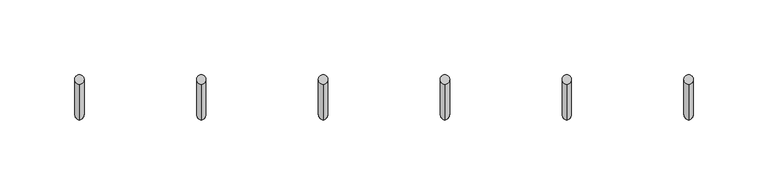
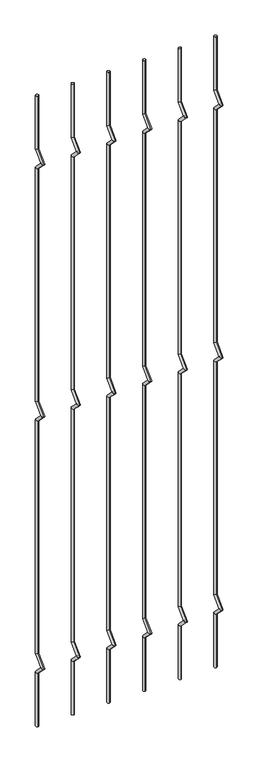
"""IFC4 building model written with IfcOpenShell, lengths in millimetres: railing geometry."""

from ifc_helpers import new_model, si_unit, frame, origin, place, context, project, spatial, circle_curve, ellipse_curve, source, transform, mapped, element, save
from ifc_brep_helpers import plane_surface, cylinder_surface, advanced_brep


def railing_6cbbe6ae(model_context):
    return source(origin(), model_context, "Body", "AdvancedBrep", [
        advanced_brep(
        [(-18957.3941573, 13589.3554142, 25.4), (-18957.3941573, 13583.0054142, 25.4), (-18957.3941573, 13583.0054142, 154.0342316), (-18957.3941573, 13589.3554142, 156.6644878), (-18957.3941573, 13559.2396458, 177.8), (-18957.3941573, 13568.219902, 177.8), (-18957.3941573, 13583.0054142, 201.5657684), (-18957.3941573, 13589.3554142, 198.9355122), (-18957.3941573, 13583.0054142, 763.6342316), (-18957.3941573, 13589.3554142, 766.2644878), (-18957.3941573, 13559.2396458, 787.4), (-18957.3941573, 13568.219902, 787.4), (-18957.3941573, 13583.0054142, 811.1657684), (-18957.3941573, 13589.3554142, 808.5355122), (-18957.3941573, 13583.0054142, 1373.2342316), (-18957.3941573, 13589.3554142, 1375.8644878), (-18957.3941573, 13559.2396458, 1397.0), (-18957.3941573, 13568.219902, 1397.0), (-18957.3941573, 13583.0054142, 1420.7657684), (-18957.3941573, 13589.3554142, 1418.1355122), (-18957.3941573, 13589.3554142, 1549.4), (-18957.3941573, 13583.0054142, 1549.4)],
        [
            (0, 1, circle_curve(frame((-18957.3941573, 13586.1804142, 25.4), z_axis=(0.0, 0.0, -1.0), x_axis=(0.0, -1.0, 0.0)), 3.175)),
            (1, 0, circle_curve(frame((-18957.3941573, 13586.1804142, 25.4), z_axis=(0.0, 0.0, -1.0), x_axis=(0.0, -1.0, 0.0)), 3.175)),
            (1, 2),
            (2, 3, ellipse_curve(frame((-18957.3941573, 13586.1804142, 155.3493597), z_axis=(0.0, 0.3826834323650955, -0.9238795325112844), x_axis=(0.0, -0.9238795325112845, -0.38268343236509544)), 3.4365952, 3.175)),
            (3, 0),
            (3, 2, ellipse_curve(frame((-18957.3941573, 13586.1804142, 155.3493597), z_axis=(0.0, 0.3826834323650955, -0.9238795325112844), x_axis=(0.0, -0.9238795325112845, -0.38268343236509544)), 3.4365952, 3.175)),
            (2, 4),
            (4, 5, ellipse_curve(frame((-18957.3941573, 13563.7297739, 177.8), z_axis=(0.0, 0.0, -1.0), x_axis=(0.0, 1.0, 0.0)), 4.4901281, 3.175)),
            (5, 3),
            (5, 4, ellipse_curve(frame((-18957.3941573, 13563.7297739, 177.8), z_axis=(0.0, 0.0, -1.0), x_axis=(0.0, 1.0, 0.0)), 4.4901281, 3.175)),
            (4, 6),
            (6, 7, ellipse_curve(frame((-18957.3941573, 13586.1804142, 200.2506403), z_axis=(0.0, -0.3826834323650839, -0.9238795325112892), x_axis=(0.0, -0.9238795325112893, 0.38268343236508373)), 3.4365952, 3.175)),
            (7, 5),
            (7, 6, ellipse_curve(frame((-18957.3941573, 13586.1804142, 200.2506403), z_axis=(0.0, -0.3826834323650839, -0.9238795325112892), x_axis=(0.0, -0.9238795325112893, 0.38268343236508373)), 3.4365952, 3.175)),
            (6, 8),
            (8, 9, ellipse_curve(frame((-18957.3941573, 13586.1804142, 764.9493597), z_axis=(0.0, 0.3826834323651107, -0.9238795325112781), x_axis=(0.0, -0.9238795325112781, -0.3826834323651108)), 3.4365952, 3.175)),
            (9, 7),
            (9, 8, ellipse_curve(frame((-18957.3941573, 13586.1804142, 764.9493597), z_axis=(0.0, 0.3826834323651107, -0.9238795325112781), x_axis=(0.0, -0.9238795325112781, -0.3826834323651108)), 3.4365952, 3.175)),
            (8, 10),
            (10, 11, ellipse_curve(frame((-18957.3941573, 13563.7297739, 787.4), z_axis=(0.0, 0.0, -1.0), x_axis=(0.0, 1.0, 0.0)), 4.4901281, 3.175)),
            (11, 9),
            (11, 10, ellipse_curve(frame((-18957.3941573, 13563.7297739, 787.4), z_axis=(0.0, 0.0, -1.0), x_axis=(0.0, 1.0, 0.0)), 4.4901281, 3.175)),
            (10, 12),
            (12, 13, ellipse_curve(frame((-18957.3941573, 13586.1804142, 809.8506403), z_axis=(0.0, -0.3826834323650702, -0.9238795325112948), x_axis=(0.0, -0.9238795325112948, 0.38268343236507046)), 3.4365952, 3.175)),
            (13, 11),
            (13, 12, ellipse_curve(frame((-18957.3941573, 13586.1804142, 809.8506403), z_axis=(0.0, -0.3826834323650702, -0.9238795325112948), x_axis=(0.0, -0.9238795325112948, 0.38268343236507046)), 3.4365952, 3.175)),
            (12, 14),
            (14, 15, ellipse_curve(frame((-18957.3941573, 13586.1804142, 1374.5493597), z_axis=(0.0, 0.3826834323650811, -0.9238795325112903), x_axis=(0.0, -0.9238795325112901, -0.3826834323650815)), 3.4365952, 3.175)),
            (15, 13),
            (15, 14, ellipse_curve(frame((-18957.3941573, 13586.1804142, 1374.5493597), z_axis=(0.0, 0.3826834323650811, -0.9238795325112903), x_axis=(0.0, -0.9238795325112901, -0.3826834323650815)), 3.4365952, 3.175)),
            (14, 16),
            (16, 17, ellipse_curve(frame((-18957.3941573, 13563.7297739, 1397.0), z_axis=(0.0, 0.0, -1.0), x_axis=(0.0, 1.0, 0.0)), 4.4901281, 3.175)),
            (17, 15),
            (17, 16, ellipse_curve(frame((-18957.3941573, 13563.7297739, 1397.0), z_axis=(0.0, 0.0, -1.0), x_axis=(0.0, 1.0, 0.0)), 4.4901281, 3.175)),
            (16, 18),
            (18, 19, ellipse_curve(frame((-18957.3941573, 13586.1804142, 1419.4506403), z_axis=(0.0, -0.38268343236509844, -0.9238795325112833), x_axis=(0.0, -0.9238795325112827, 0.38268343236509916)), 3.4365952, 3.175)),
            (19, 17),
            (19, 18, ellipse_curve(frame((-18957.3941573, 13586.1804142, 1419.4506403), z_axis=(0.0, -0.38268343236509844, -0.9238795325112833), x_axis=(0.0, -0.9238795325112827, 0.38268343236509916)), 3.4365952, 3.175)),
            (20, 21, circle_curve(frame((-18957.3941573, 13586.1804142, 1549.4), z_axis=(0.0, 0.0, 1.0), x_axis=(0.0, -1.0, 0.0)), 3.175)),
            (21, 20, circle_curve(frame((-18957.3941573, 13586.1804142, 1549.4), z_axis=(0.0, 0.0, 1.0), x_axis=(0.0, -1.0, 0.0)), 3.175)),
            (18, 21),
            (20, 19),
        ],
        [
            plane_surface(frame((-18957.3941573, 13586.1804142, 25.4), z_axis=(0.0, 0.0, -1.0), x_axis=(-1.0, 0.0, 0.0))),
            cylinder_surface(frame((-18957.3941573, 13586.1804142, 25.4), z_axis=(0.0, 0.0, -1.0), x_axis=(0.0, -1.0, 0.0)), 3.175),
            cylinder_surface(frame((-18957.3941573, 13586.1804142, 155.3493597), z_axis=(0.0, 0.7071067811865563, -0.7071067811865388), x_axis=(0.0, -0.7071067811865388, -0.7071067811865563)), 3.175),
            cylinder_surface(frame((-18957.3941573, 13563.7297739, 177.8), z_axis=(0.0, -0.7071067811865385, -0.7071067811865568), x_axis=(0.0, -0.7071067811865568, 0.7071067811865385)), 3.175),
            cylinder_surface(frame((-18957.3941573, 13586.1804142, 200.2506403), z_axis=(0.0, 0.0, -1.0), x_axis=(0.0, -1.0, 0.0)), 3.175),
            cylinder_surface(frame((-18957.3941573, 13586.1804142, 764.9493597), z_axis=(0.0, 0.7071067811865798, -0.7071067811865153), x_axis=(0.0, -0.7071067811865153, -0.7071067811865798)), 3.175),
            cylinder_surface(frame((-18957.3941573, 13563.7297739, 787.4), z_axis=(0.0, -0.7071067811865173, -0.7071067811865779), x_axis=(0.0, -0.7071067811865779, 0.7071067811865173)), 3.175),
            cylinder_surface(frame((-18957.3941573, 13586.1804142, 809.8506403), z_axis=(0.0, 0.0, -1.0), x_axis=(0.0, -1.0, 0.0)), 3.175),
            cylinder_surface(frame((-18957.3941573, 13586.1804142, 1374.5493597), z_axis=(0.0, 0.7071067811865346, -0.7071067811865605), x_axis=(0.0, -0.7071067811865605, -0.7071067811865346)), 3.175),
            cylinder_surface(frame((-18957.3941573, 13563.7297739, 1397.0), z_axis=(0.0, -0.7071067811865608, -0.7071067811865344), x_axis=(0.0, -0.7071067811865344, 0.7071067811865608)), 3.175),
            plane_surface(frame((-18957.3941573, 13586.1804142, 1549.4), z_axis=(0.0, 0.0, 1.0), x_axis=(-1.0, 0.0, 0.0))),
            cylinder_surface(frame((-18957.3941573, 13586.1804142, 1419.4506403), z_axis=(0.0, 0.0, -1.0), x_axis=(0.0, -1.0, 0.0)), 3.175),
        ],
        [
            (0, [[1, 2]]),
            (1, [[3, 4, 5, -2]]),
            (1, [[-5, 6, -3, -1]]),
            (2, [[7, 8, 9, -4]]),
            (2, [[-9, 10, -7, -6]]),
            (3, [[11, 12, 13, -8]]),
            (3, [[-13, 14, -11, -10]]),
            (4, [[15, 16, 17, -12]]),
            (4, [[-17, 18, -15, -14]]),
            (5, [[19, 20, 21, -16]]),
            (5, [[-21, 22, -19, -18]]),
            (6, [[23, 24, 25, -20]]),
            (6, [[-25, 26, -23, -22]]),
            (7, [[27, 28, 29, -24]]),
            (7, [[-29, 30, -27, -26]]),
            (8, [[31, 32, 33, -28]]),
            (8, [[-33, 34, -31, -30]]),
            (9, [[35, 36, 37, -32]]),
            (9, [[-37, 38, -35, -34]]),
            (10, [[39, 40]]),
            (11, [[41, -39, 42, -36]]),
            (11, [[-42, -40, -41, -38]]),
        ],
    ),
        advanced_brep(
        [(-18875.8210804, 13589.3554142, 25.4), (-18875.8210804, 13583.0054142, 25.4), (-18875.8210804, 13583.0054142, 154.0342316), (-18875.8210804, 13589.3554142, 156.6644878), (-18875.8210804, 13559.2396458, 177.8), (-18875.8210804, 13568.219902, 177.8), (-18875.8210804, 13583.0054142, 201.5657684), (-18875.8210804, 13589.3554142, 198.9355122), (-18875.8210804, 13583.0054142, 763.6342316), (-18875.8210804, 13589.3554142, 766.2644878), (-18875.8210804, 13559.2396458, 787.4), (-18875.8210804, 13568.219902, 787.4), (-18875.8210804, 13583.0054142, 811.1657684), (-18875.8210804, 13589.3554142, 808.5355122), (-18875.8210804, 13583.0054142, 1373.2342316), (-18875.8210804, 13589.3554142, 1375.8644878), (-18875.8210804, 13559.2396458, 1397.0), (-18875.8210804, 13568.219902, 1397.0), (-18875.8210804, 13583.0054142, 1420.7657684), (-18875.8210804, 13589.3554142, 1418.1355122), (-18875.8210804, 13589.3554142, 1549.4), (-18875.8210804, 13583.0054142, 1549.4)],
        [
            (0, 1, circle_curve(frame((-18875.8210804, 13586.1804142, 25.4), z_axis=(0.0, 0.0, -1.0), x_axis=(0.0, -1.0, 0.0)), 3.175)),
            (1, 0, circle_curve(frame((-18875.8210804, 13586.1804142, 25.4), z_axis=(0.0, 0.0, -1.0), x_axis=(0.0, -1.0, 0.0)), 3.175)),
            (1, 2),
            (2, 3, ellipse_curve(frame((-18875.8210804, 13586.1804142, 155.3493597), z_axis=(0.0, 0.3826834323650955, -0.9238795325112844), x_axis=(0.0, -0.9238795325112845, -0.38268343236509544)), 3.4365952, 3.175)),
            (3, 0),
            (3, 2, ellipse_curve(frame((-18875.8210804, 13586.1804142, 155.3493597), z_axis=(0.0, 0.3826834323650955, -0.9238795325112844), x_axis=(0.0, -0.9238795325112845, -0.38268343236509544)), 3.4365952, 3.175)),
            (2, 4),
            (4, 5, ellipse_curve(frame((-18875.8210804, 13563.7297739, 177.8), z_axis=(0.0, 0.0, -1.0), x_axis=(0.0, 1.0, 0.0)), 4.4901281, 3.175)),
            (5, 3),
            (5, 4, ellipse_curve(frame((-18875.8210804, 13563.7297739, 177.8), z_axis=(0.0, 0.0, -1.0), x_axis=(0.0, 1.0, 0.0)), 4.4901281, 3.175)),
            (4, 6),
            (6, 7, ellipse_curve(frame((-18875.8210804, 13586.1804142, 200.2506403), z_axis=(0.0, -0.3826834323650839, -0.9238795325112892), x_axis=(0.0, -0.9238795325112893, 0.38268343236508373)), 3.4365952, 3.175)),
            (7, 5),
            (7, 6, ellipse_curve(frame((-18875.8210804, 13586.1804142, 200.2506403), z_axis=(0.0, -0.3826834323650839, -0.9238795325112892), x_axis=(0.0, -0.9238795325112893, 0.38268343236508373)), 3.4365952, 3.175)),
            (6, 8),
            (8, 9, ellipse_curve(frame((-18875.8210804, 13586.1804142, 764.9493597), z_axis=(0.0, 0.3826834323651107, -0.9238795325112781), x_axis=(0.0, -0.9238795325112781, -0.3826834323651108)), 3.4365952, 3.175)),
            (9, 7),
            (9, 8, ellipse_curve(frame((-18875.8210804, 13586.1804142, 764.9493597), z_axis=(0.0, 0.3826834323651107, -0.9238795325112781), x_axis=(0.0, -0.9238795325112781, -0.3826834323651108)), 3.4365952, 3.175)),
            (8, 10),
            (10, 11, ellipse_curve(frame((-18875.8210804, 13563.7297739, 787.4), z_axis=(0.0, 0.0, -1.0), x_axis=(0.0, 1.0, 0.0)), 4.4901281, 3.175)),
            (11, 9),
            (11, 10, ellipse_curve(frame((-18875.8210804, 13563.7297739, 787.4), z_axis=(0.0, 0.0, -1.0), x_axis=(0.0, 1.0, 0.0)), 4.4901281, 3.175)),
            (10, 12),
            (12, 13, ellipse_curve(frame((-18875.8210804, 13586.1804142, 809.8506403), z_axis=(0.0, -0.3826834323650702, -0.9238795325112948), x_axis=(0.0, -0.9238795325112948, 0.38268343236507046)), 3.4365952, 3.175)),
            (13, 11),
            (13, 12, ellipse_curve(frame((-18875.8210804, 13586.1804142, 809.8506403), z_axis=(0.0, -0.3826834323650702, -0.9238795325112948), x_axis=(0.0, -0.9238795325112948, 0.38268343236507046)), 3.4365952, 3.175)),
            (12, 14),
            (14, 15, ellipse_curve(frame((-18875.8210804, 13586.1804142, 1374.5493597), z_axis=(0.0, 0.3826834323650811, -0.9238795325112903), x_axis=(0.0, -0.9238795325112901, -0.3826834323650815)), 3.4365952, 3.175)),
            (15, 13),
            (15, 14, ellipse_curve(frame((-18875.8210804, 13586.1804142, 1374.5493597), z_axis=(0.0, 0.3826834323650811, -0.9238795325112903), x_axis=(0.0, -0.9238795325112901, -0.3826834323650815)), 3.4365952, 3.175)),
            (14, 16),
            (16, 17, ellipse_curve(frame((-18875.8210804, 13563.7297739, 1397.0), z_axis=(0.0, 0.0, -1.0), x_axis=(0.0, 1.0, 0.0)), 4.4901281, 3.175)),
            (17, 15),
            (17, 16, ellipse_curve(frame((-18875.8210804, 13563.7297739, 1397.0), z_axis=(0.0, 0.0, -1.0), x_axis=(0.0, 1.0, 0.0)), 4.4901281, 3.175)),
            (16, 18),
            (18, 19, ellipse_curve(frame((-18875.8210804, 13586.1804142, 1419.4506403), z_axis=(0.0, -0.38268343236509844, -0.9238795325112833), x_axis=(0.0, -0.9238795325112827, 0.38268343236509916)), 3.4365952, 3.175)),
            (19, 17),
            (19, 18, ellipse_curve(frame((-18875.8210804, 13586.1804142, 1419.4506403), z_axis=(0.0, -0.38268343236509844, -0.9238795325112833), x_axis=(0.0, -0.9238795325112827, 0.38268343236509916)), 3.4365952, 3.175)),
            (20, 21, circle_curve(frame((-18875.8210804, 13586.1804142, 1549.4), z_axis=(0.0, 0.0, 1.0), x_axis=(0.0, -1.0, 0.0)), 3.175)),
            (21, 20, circle_curve(frame((-18875.8210804, 13586.1804142, 1549.4), z_axis=(0.0, 0.0, 1.0), x_axis=(0.0, -1.0, 0.0)), 3.175)),
            (18, 21),
            (20, 19),
        ],
        [
            plane_surface(frame((-18875.8210804, 13586.1804142, 25.4), z_axis=(0.0, 0.0, -1.0), x_axis=(-1.0, 0.0, 0.0))),
            cylinder_surface(frame((-18875.8210804, 13586.1804142, 25.4), z_axis=(0.0, 0.0, -1.0), x_axis=(0.0, -1.0, 0.0)), 3.175),
            cylinder_surface(frame((-18875.8210804, 13586.1804142, 155.3493597), z_axis=(0.0, 0.7071067811865563, -0.7071067811865388), x_axis=(0.0, -0.7071067811865388, -0.7071067811865563)), 3.175),
            cylinder_surface(frame((-18875.8210804, 13563.7297739, 177.8), z_axis=(0.0, -0.7071067811865385, -0.7071067811865568), x_axis=(0.0, -0.7071067811865568, 0.7071067811865385)), 3.175),
            cylinder_surface(frame((-18875.8210804, 13586.1804142, 200.2506403), z_axis=(0.0, 0.0, -1.0), x_axis=(0.0, -1.0, 0.0)), 3.175),
            cylinder_surface(frame((-18875.8210804, 13586.1804142, 764.9493597), z_axis=(0.0, 0.7071067811865798, -0.7071067811865153), x_axis=(0.0, -0.7071067811865153, -0.7071067811865798)), 3.175),
            cylinder_surface(frame((-18875.8210804, 13563.7297739, 787.4), z_axis=(0.0, -0.7071067811865173, -0.7071067811865779), x_axis=(0.0, -0.7071067811865779, 0.7071067811865173)), 3.175),
            cylinder_surface(frame((-18875.8210804, 13586.1804142, 809.8506403), z_axis=(0.0, 0.0, -1.0), x_axis=(0.0, -1.0, 0.0)), 3.175),
            cylinder_surface(frame((-18875.8210804, 13586.1804142, 1374.5493597), z_axis=(0.0, 0.7071067811865346, -0.7071067811865605), x_axis=(0.0, -0.7071067811865605, -0.7071067811865346)), 3.175),
            cylinder_surface(frame((-18875.8210804, 13563.7297739, 1397.0), z_axis=(0.0, -0.7071067811865608, -0.7071067811865344), x_axis=(0.0, -0.7071067811865344, 0.7071067811865608)), 3.175),
            plane_surface(frame((-18875.8210804, 13586.1804142, 1549.4), z_axis=(0.0, 0.0, 1.0), x_axis=(-1.0, 0.0, 0.0))),
            cylinder_surface(frame((-18875.8210804, 13586.1804142, 1419.4506403), z_axis=(0.0, 0.0, -1.0), x_axis=(0.0, -1.0, 0.0)), 3.175),
        ],
        [
            (0, [[1, 2]]),
            (1, [[3, 4, 5, -2]]),
            (1, [[-5, 6, -3, -1]]),
            (2, [[7, 8, 9, -4]]),
            (2, [[-9, 10, -7, -6]]),
            (3, [[11, 12, 13, -8]]),
            (3, [[-13, 14, -11, -10]]),
            (4, [[15, 16, 17, -12]]),
            (4, [[-17, 18, -15, -14]]),
            (5, [[19, 20, 21, -16]]),
            (5, [[-21, 22, -19, -18]]),
            (6, [[23, 24, 25, -20]]),
            (6, [[-25, 26, -23, -22]]),
            (7, [[27, 28, 29, -24]]),
            (7, [[-29, 30, -27, -26]]),
            (8, [[31, 32, 33, -28]]),
            (8, [[-33, 34, -31, -30]]),
            (9, [[35, 36, 37, -32]]),
            (9, [[-37, 38, -35, -34]]),
            (10, [[39, 40]]),
            (11, [[41, -39, 42, -36]]),
            (11, [[-42, -40, -41, -38]]),
        ],
    ),
        advanced_brep(
        [(-18794.2480035, 13589.3554142, 25.4), (-18794.2480035, 13583.0054142, 25.4), (-18794.2480035, 13583.0054142, 154.0342316), (-18794.2480035, 13589.3554142, 156.6644878), (-18794.2480035, 13559.2396458, 177.8), (-18794.2480035, 13568.219902, 177.8), (-18794.2480035, 13583.0054142, 201.5657684), (-18794.2480035, 13589.3554142, 198.9355122), (-18794.2480035, 13583.0054142, 763.6342316), (-18794.2480035, 13589.3554142, 766.2644878), (-18794.2480035, 13559.2396458, 787.4), (-18794.2480035, 13568.219902, 787.4), (-18794.2480035, 13583.0054142, 811.1657684), (-18794.2480035, 13589.3554142, 808.5355122), (-18794.2480035, 13583.0054142, 1373.2342316), (-18794.2480035, 13589.3554142, 1375.8644878), (-18794.2480035, 13559.2396458, 1397.0), (-18794.2480035, 13568.219902, 1397.0), (-18794.2480035, 13583.0054142, 1420.7657684), (-18794.2480035, 13589.3554142, 1418.1355122), (-18794.2480035, 13589.3554142, 1549.4), (-18794.2480035, 13583.0054142, 1549.4)],
        [
            (0, 1, circle_curve(frame((-18794.2480035, 13586.1804142, 25.4), z_axis=(0.0, 0.0, -1.0), x_axis=(0.0, -1.0, 0.0)), 3.175)),
            (1, 0, circle_curve(frame((-18794.2480035, 13586.1804142, 25.4), z_axis=(0.0, 0.0, -1.0), x_axis=(0.0, -1.0, 0.0)), 3.175)),
            (1, 2),
            (2, 3, ellipse_curve(frame((-18794.2480035, 13586.1804142, 155.3493597), z_axis=(0.0, 0.3826834323650955, -0.9238795325112844), x_axis=(0.0, -0.9238795325112845, -0.38268343236509544)), 3.4365952, 3.175)),
            (3, 0),
            (3, 2, ellipse_curve(frame((-18794.2480035, 13586.1804142, 155.3493597), z_axis=(0.0, 0.3826834323650955, -0.9238795325112844), x_axis=(0.0, -0.9238795325112845, -0.38268343236509544)), 3.4365952, 3.175)),
            (2, 4),
            (4, 5, ellipse_curve(frame((-18794.2480035, 13563.7297739, 177.8), z_axis=(0.0, 0.0, -1.0), x_axis=(0.0, 1.0, 0.0)), 4.4901281, 3.175)),
            (5, 3),
            (5, 4, ellipse_curve(frame((-18794.2480035, 13563.7297739, 177.8), z_axis=(0.0, 0.0, -1.0), x_axis=(0.0, 1.0, 0.0)), 4.4901281, 3.175)),
            (4, 6),
            (6, 7, ellipse_curve(frame((-18794.2480035, 13586.1804142, 200.2506403), z_axis=(0.0, -0.3826834323650839, -0.9238795325112892), x_axis=(0.0, -0.9238795325112893, 0.38268343236508373)), 3.4365952, 3.175)),
            (7, 5),
            (7, 6, ellipse_curve(frame((-18794.2480035, 13586.1804142, 200.2506403), z_axis=(0.0, -0.3826834323650839, -0.9238795325112892), x_axis=(0.0, -0.9238795325112893, 0.38268343236508373)), 3.4365952, 3.175)),
            (6, 8),
            (8, 9, ellipse_curve(frame((-18794.2480035, 13586.1804142, 764.9493597), z_axis=(0.0, 0.3826834323651107, -0.9238795325112781), x_axis=(0.0, -0.9238795325112781, -0.3826834323651108)), 3.4365952, 3.175)),
            (9, 7),
            (9, 8, ellipse_curve(frame((-18794.2480035, 13586.1804142, 764.9493597), z_axis=(0.0, 0.3826834323651107, -0.9238795325112781), x_axis=(0.0, -0.9238795325112781, -0.3826834323651108)), 3.4365952, 3.175)),
            (8, 10),
            (10, 11, ellipse_curve(frame((-18794.2480035, 13563.7297739, 787.4), z_axis=(0.0, 0.0, -1.0), x_axis=(0.0, 1.0, 0.0)), 4.4901281, 3.175)),
            (11, 9),
            (11, 10, ellipse_curve(frame((-18794.2480035, 13563.7297739, 787.4), z_axis=(0.0, 0.0, -1.0), x_axis=(0.0, 1.0, 0.0)), 4.4901281, 3.175)),
            (10, 12),
            (12, 13, ellipse_curve(frame((-18794.2480035, 13586.1804142, 809.8506403), z_axis=(0.0, -0.3826834323650702, -0.9238795325112948), x_axis=(0.0, -0.9238795325112948, 0.38268343236507046)), 3.4365952, 3.175)),
            (13, 11),
            (13, 12, ellipse_curve(frame((-18794.2480035, 13586.1804142, 809.8506403), z_axis=(0.0, -0.3826834323650702, -0.9238795325112948), x_axis=(0.0, -0.9238795325112948, 0.38268343236507046)), 3.4365952, 3.175)),
            (12, 14),
            (14, 15, ellipse_curve(frame((-18794.2480035, 13586.1804142, 1374.5493597), z_axis=(0.0, 0.3826834323650811, -0.9238795325112903), x_axis=(0.0, -0.9238795325112901, -0.3826834323650815)), 3.4365952, 3.175)),
            (15, 13),
            (15, 14, ellipse_curve(frame((-18794.2480035, 13586.1804142, 1374.5493597), z_axis=(0.0, 0.3826834323650811, -0.9238795325112903), x_axis=(0.0, -0.9238795325112901, -0.3826834323650815)), 3.4365952, 3.175)),
            (14, 16),
            (16, 17, ellipse_curve(frame((-18794.2480035, 13563.7297739, 1397.0), z_axis=(0.0, 0.0, -1.0), x_axis=(0.0, 1.0, 0.0)), 4.4901281, 3.175)),
            (17, 15),
            (17, 16, ellipse_curve(frame((-18794.2480035, 13563.7297739, 1397.0), z_axis=(0.0, 0.0, -1.0), x_axis=(0.0, 1.0, 0.0)), 4.4901281, 3.175)),
            (16, 18),
            (18, 19, ellipse_curve(frame((-18794.2480035, 13586.1804142, 1419.4506403), z_axis=(0.0, -0.38268343236509844, -0.9238795325112833), x_axis=(0.0, -0.9238795325112827, 0.38268343236509916)), 3.4365952, 3.175)),
            (19, 17),
            (19, 18, ellipse_curve(frame((-18794.2480035, 13586.1804142, 1419.4506403), z_axis=(0.0, -0.38268343236509844, -0.9238795325112833), x_axis=(0.0, -0.9238795325112827, 0.38268343236509916)), 3.4365952, 3.175)),
            (20, 21, circle_curve(frame((-18794.2480035, 13586.1804142, 1549.4), z_axis=(0.0, 0.0, 1.0), x_axis=(0.0, -1.0, 0.0)), 3.175)),
            (21, 20, circle_curve(frame((-18794.2480035, 13586.1804142, 1549.4), z_axis=(0.0, 0.0, 1.0), x_axis=(0.0, -1.0, 0.0)), 3.175)),
            (18, 21),
            (20, 19),
        ],
        [
            plane_surface(frame((-18794.2480035, 13586.1804142, 25.4), z_axis=(0.0, 0.0, -1.0), x_axis=(-1.0, 0.0, 0.0))),
            cylinder_surface(frame((-18794.2480035, 13586.1804142, 25.4), z_axis=(0.0, 0.0, -1.0), x_axis=(0.0, -1.0, 0.0)), 3.175),
            cylinder_surface(frame((-18794.2480035, 13586.1804142, 155.3493597), z_axis=(0.0, 0.7071067811865563, -0.7071067811865388), x_axis=(0.0, -0.7071067811865388, -0.7071067811865563)), 3.175),
            cylinder_surface(frame((-18794.2480035, 13563.7297739, 177.8), z_axis=(0.0, -0.7071067811865385, -0.7071067811865568), x_axis=(0.0, -0.7071067811865568, 0.7071067811865385)), 3.175),
            cylinder_surface(frame((-18794.2480035, 13586.1804142, 200.2506403), z_axis=(0.0, 0.0, -1.0), x_axis=(0.0, -1.0, 0.0)), 3.175),
            cylinder_surface(frame((-18794.2480035, 13586.1804142, 764.9493597), z_axis=(0.0, 0.7071067811865798, -0.7071067811865153), x_axis=(0.0, -0.7071067811865153, -0.7071067811865798)), 3.175),
            cylinder_surface(frame((-18794.2480035, 13563.7297739, 787.4), z_axis=(0.0, -0.7071067811865173, -0.7071067811865779), x_axis=(0.0, -0.7071067811865779, 0.7071067811865173)), 3.175),
            cylinder_surface(frame((-18794.2480035, 13586.1804142, 809.8506403), z_axis=(0.0, 0.0, -1.0), x_axis=(0.0, -1.0, 0.0)), 3.175),
            cylinder_surface(frame((-18794.2480035, 13586.1804142, 1374.5493597), z_axis=(0.0, 0.7071067811865346, -0.7071067811865605), x_axis=(0.0, -0.7071067811865605, -0.7071067811865346)), 3.175),
            cylinder_surface(frame((-18794.2480035, 13563.7297739, 1397.0), z_axis=(0.0, -0.7071067811865608, -0.7071067811865344), x_axis=(0.0, -0.7071067811865344, 0.7071067811865608)), 3.175),
            plane_surface(frame((-18794.2480035, 13586.1804142, 1549.4), z_axis=(0.0, 0.0, 1.0), x_axis=(-1.0, 0.0, 0.0))),
            cylinder_surface(frame((-18794.2480035, 13586.1804142, 1419.4506403), z_axis=(0.0, 0.0, -1.0), x_axis=(0.0, -1.0, 0.0)), 3.175),
        ],
        [
            (0, [[1, 2]]),
            (1, [[3, 4, 5, -2]]),
            (1, [[-5, 6, -3, -1]]),
            (2, [[7, 8, 9, -4]]),
            (2, [[-9, 10, -7, -6]]),
            (3, [[11, 12, 13, -8]]),
            (3, [[-13, 14, -11, -10]]),
            (4, [[15, 16, 17, -12]]),
            (4, [[-17, 18, -15, -14]]),
            (5, [[19, 20, 21, -16]]),
            (5, [[-21, 22, -19, -18]]),
            (6, [[23, 24, 25, -20]]),
            (6, [[-25, 26, -23, -22]]),
            (7, [[27, 28, 29, -24]]),
            (7, [[-29, 30, -27, -26]]),
            (8, [[31, 32, 33, -28]]),
            (8, [[-33, 34, -31, -30]]),
            (9, [[35, 36, 37, -32]]),
            (9, [[-37, 38, -35, -34]]),
            (10, [[39, 40]]),
            (11, [[41, -39, 42, -36]]),
            (11, [[-42, -40, -41, -38]]),
        ],
    ),
        advanced_brep(
        [(-18712.6749265, 13589.3554142, 25.4), (-18712.6749265, 13583.0054142, 25.4), (-18712.6749265, 13583.0054142, 154.0342316), (-18712.6749265, 13589.3554142, 156.6644878), (-18712.6749265, 13559.2396458, 177.8), (-18712.6749265, 13568.219902, 177.8), (-18712.6749265, 13583.0054142, 201.5657684), (-18712.6749265, 13589.3554142, 198.9355122), (-18712.6749265, 13583.0054142, 763.6342316), (-18712.6749265, 13589.3554142, 766.2644878), (-18712.6749265, 13559.2396458, 787.4), (-18712.6749265, 13568.219902, 787.4), (-18712.6749265, 13583.0054142, 811.1657684), (-18712.6749265, 13589.3554142, 808.5355122), (-18712.6749265, 13583.0054142, 1373.2342316), (-18712.6749265, 13589.3554142, 1375.8644878), (-18712.6749265, 13559.2396458, 1397.0), (-18712.6749265, 13568.219902, 1397.0), (-18712.6749265, 13583.0054142, 1420.7657684), (-18712.6749265, 13589.3554142, 1418.1355122), (-18712.6749265, 13589.3554142, 1549.4), (-18712.6749265, 13583.0054142, 1549.4)],
        [
            (0, 1, circle_curve(frame((-18712.6749265, 13586.1804142, 25.4), z_axis=(0.0, 0.0, -1.0), x_axis=(0.0, -1.0, 0.0)), 3.175)),
            (1, 0, circle_curve(frame((-18712.6749265, 13586.1804142, 25.4), z_axis=(0.0, 0.0, -1.0), x_axis=(0.0, -1.0, 0.0)), 3.175)),
            (1, 2),
            (2, 3, ellipse_curve(frame((-18712.6749265, 13586.1804142, 155.3493597), z_axis=(0.0, 0.3826834323650955, -0.9238795325112844), x_axis=(0.0, -0.9238795325112845, -0.38268343236509544)), 3.4365952, 3.175)),
            (3, 0),
            (3, 2, ellipse_curve(frame((-18712.6749265, 13586.1804142, 155.3493597), z_axis=(0.0, 0.3826834323650955, -0.9238795325112844), x_axis=(0.0, -0.9238795325112845, -0.38268343236509544)), 3.4365952, 3.175)),
            (2, 4),
            (4, 5, ellipse_curve(frame((-18712.6749265, 13563.7297739, 177.8), z_axis=(0.0, 0.0, -1.0), x_axis=(0.0, 1.0, 0.0)), 4.4901281, 3.175)),
            (5, 3),
            (5, 4, ellipse_curve(frame((-18712.6749265, 13563.7297739, 177.8), z_axis=(0.0, 0.0, -1.0), x_axis=(0.0, 1.0, 0.0)), 4.4901281, 3.175)),
            (4, 6),
            (6, 7, ellipse_curve(frame((-18712.6749265, 13586.1804142, 200.2506403), z_axis=(0.0, -0.3826834323650839, -0.9238795325112892), x_axis=(0.0, -0.9238795325112893, 0.38268343236508373)), 3.4365952, 3.175)),
            (7, 5),
            (7, 6, ellipse_curve(frame((-18712.6749265, 13586.1804142, 200.2506403), z_axis=(0.0, -0.3826834323650839, -0.9238795325112892), x_axis=(0.0, -0.9238795325112893, 0.38268343236508373)), 3.4365952, 3.175)),
            (6, 8),
            (8, 9, ellipse_curve(frame((-18712.6749265, 13586.1804142, 764.9493597), z_axis=(0.0, 0.3826834323651107, -0.9238795325112781), x_axis=(0.0, -0.9238795325112781, -0.3826834323651108)), 3.4365952, 3.175)),
            (9, 7),
            (9, 8, ellipse_curve(frame((-18712.6749265, 13586.1804142, 764.9493597), z_axis=(0.0, 0.3826834323651107, -0.9238795325112781), x_axis=(0.0, -0.9238795325112781, -0.3826834323651108)), 3.4365952, 3.175)),
            (8, 10),
            (10, 11, ellipse_curve(frame((-18712.6749265, 13563.7297739, 787.4), z_axis=(0.0, 0.0, -1.0), x_axis=(0.0, 1.0, 0.0)), 4.4901281, 3.175)),
            (11, 9),
            (11, 10, ellipse_curve(frame((-18712.6749265, 13563.7297739, 787.4), z_axis=(0.0, 0.0, -1.0), x_axis=(0.0, 1.0, 0.0)), 4.4901281, 3.175)),
            (10, 12),
            (12, 13, ellipse_curve(frame((-18712.6749265, 13586.1804142, 809.8506403), z_axis=(0.0, -0.3826834323650702, -0.9238795325112948), x_axis=(0.0, -0.9238795325112948, 0.38268343236507046)), 3.4365952, 3.175)),
            (13, 11),
            (13, 12, ellipse_curve(frame((-18712.6749265, 13586.1804142, 809.8506403), z_axis=(0.0, -0.3826834323650702, -0.9238795325112948), x_axis=(0.0, -0.9238795325112948, 0.38268343236507046)), 3.4365952, 3.175)),
            (12, 14),
            (14, 15, ellipse_curve(frame((-18712.6749265, 13586.1804142, 1374.5493597), z_axis=(0.0, 0.3826834323650811, -0.9238795325112903), x_axis=(0.0, -0.9238795325112901, -0.3826834323650815)), 3.4365952, 3.175)),
            (15, 13),
            (15, 14, ellipse_curve(frame((-18712.6749265, 13586.1804142, 1374.5493597), z_axis=(0.0, 0.3826834323650811, -0.9238795325112903), x_axis=(0.0, -0.9238795325112901, -0.3826834323650815)), 3.4365952, 3.175)),
            (14, 16),
            (16, 17, ellipse_curve(frame((-18712.6749265, 13563.7297739, 1397.0), z_axis=(0.0, 0.0, -1.0), x_axis=(0.0, 1.0, 0.0)), 4.4901281, 3.175)),
            (17, 15),
            (17, 16, ellipse_curve(frame((-18712.6749265, 13563.7297739, 1397.0), z_axis=(0.0, 0.0, -1.0), x_axis=(0.0, 1.0, 0.0)), 4.4901281, 3.175)),
            (16, 18),
            (18, 19, ellipse_curve(frame((-18712.6749265, 13586.1804142, 1419.4506403), z_axis=(0.0, -0.38268343236509844, -0.9238795325112833), x_axis=(0.0, -0.9238795325112827, 0.38268343236509916)), 3.4365952, 3.175)),
            (19, 17),
            (19, 18, ellipse_curve(frame((-18712.6749265, 13586.1804142, 1419.4506403), z_axis=(0.0, -0.38268343236509844, -0.9238795325112833), x_axis=(0.0, -0.9238795325112827, 0.38268343236509916)), 3.4365952, 3.175)),
            (20, 21, circle_curve(frame((-18712.6749265, 13586.1804142, 1549.4), z_axis=(0.0, 0.0, 1.0), x_axis=(0.0, -1.0, 0.0)), 3.175)),
            (21, 20, circle_curve(frame((-18712.6749265, 13586.1804142, 1549.4), z_axis=(0.0, 0.0, 1.0), x_axis=(0.0, -1.0, 0.0)), 3.175)),
            (18, 21),
            (20, 19),
        ],
        [
            plane_surface(frame((-18712.6749265, 13586.1804142, 25.4), z_axis=(0.0, 0.0, -1.0), x_axis=(-1.0, 0.0, 0.0))),
            cylinder_surface(frame((-18712.6749265, 13586.1804142, 25.4), z_axis=(0.0, 0.0, -1.0), x_axis=(0.0, -1.0, 0.0)), 3.175),
            cylinder_surface(frame((-18712.6749265, 13586.1804142, 155.3493597), z_axis=(0.0, 0.7071067811865563, -0.7071067811865388), x_axis=(0.0, -0.7071067811865388, -0.7071067811865563)), 3.175),
            cylinder_surface(frame((-18712.6749265, 13563.7297739, 177.8), z_axis=(0.0, -0.7071067811865385, -0.7071067811865568), x_axis=(0.0, -0.7071067811865568, 0.7071067811865385)), 3.175),
            cylinder_surface(frame((-18712.6749265, 13586.1804142, 200.2506403), z_axis=(0.0, 0.0, -1.0), x_axis=(0.0, -1.0, 0.0)), 3.175),
            cylinder_surface(frame((-18712.6749265, 13586.1804142, 764.9493597), z_axis=(0.0, 0.7071067811865798, -0.7071067811865153), x_axis=(0.0, -0.7071067811865153, -0.7071067811865798)), 3.175),
            cylinder_surface(frame((-18712.6749265, 13563.7297739, 787.4), z_axis=(0.0, -0.7071067811865173, -0.7071067811865779), x_axis=(0.0, -0.7071067811865779, 0.7071067811865173)), 3.175),
            cylinder_surface(frame((-18712.6749265, 13586.1804142, 809.8506403), z_axis=(0.0, 0.0, -1.0), x_axis=(0.0, -1.0, 0.0)), 3.175),
            cylinder_surface(frame((-18712.6749265, 13586.1804142, 1374.5493597), z_axis=(0.0, 0.7071067811865346, -0.7071067811865605), x_axis=(0.0, -0.7071067811865605, -0.7071067811865346)), 3.175),
            cylinder_surface(frame((-18712.6749265, 13563.7297739, 1397.0), z_axis=(0.0, -0.7071067811865608, -0.7071067811865344), x_axis=(0.0, -0.7071067811865344, 0.7071067811865608)), 3.175),
            plane_surface(frame((-18712.6749265, 13586.1804142, 1549.4), z_axis=(0.0, 0.0, 1.0), x_axis=(-1.0, 0.0, 0.0))),
            cylinder_surface(frame((-18712.6749265, 13586.1804142, 1419.4506403), z_axis=(0.0, 0.0, -1.0), x_axis=(0.0, -1.0, 0.0)), 3.175),
        ],
        [
            (0, [[1, 2]]),
            (1, [[3, 4, 5, -2]]),
            (1, [[-5, 6, -3, -1]]),
            (2, [[7, 8, 9, -4]]),
            (2, [[-9, 10, -7, -6]]),
            (3, [[11, 12, 13, -8]]),
            (3, [[-13, 14, -11, -10]]),
            (4, [[15, 16, 17, -12]]),
            (4, [[-17, 18, -15, -14]]),
            (5, [[19, 20, 21, -16]]),
            (5, [[-21, 22, -19, -18]]),
            (6, [[23, 24, 25, -20]]),
            (6, [[-25, 26, -23, -22]]),
            (7, [[27, 28, 29, -24]]),
            (7, [[-29, 30, -27, -26]]),
            (8, [[31, 32, 33, -28]]),
            (8, [[-33, 34, -31, -30]]),
            (9, [[35, 36, 37, -32]]),
            (9, [[-37, 38, -35, -34]]),
            (10, [[39, 40]]),
            (11, [[41, -39, 42, -36]]),
            (11, [[-42, -40, -41, -38]]),
        ],
    ),
        advanced_brep(
        [(-18631.1018496, 13589.3554142, 25.4), (-18631.1018496, 13583.0054142, 25.4), (-18631.1018496, 13583.0054142, 154.0342316), (-18631.1018496, 13589.3554142, 156.6644878), (-18631.1018496, 13559.2396458, 177.8), (-18631.1018496, 13568.219902, 177.8), (-18631.1018496, 13583.0054142, 201.5657684), (-18631.1018496, 13589.3554142, 198.9355122), (-18631.1018496, 13583.0054142, 763.6342316), (-18631.1018496, 13589.3554142, 766.2644878), (-18631.1018496, 13559.2396458, 787.4), (-18631.1018496, 13568.219902, 787.4), (-18631.1018496, 13583.0054142, 811.1657684), (-18631.1018496, 13589.3554142, 808.5355122), (-18631.1018496, 13583.0054142, 1373.2342316), (-18631.1018496, 13589.3554142, 1375.8644878), (-18631.1018496, 13559.2396458, 1397.0), (-18631.1018496, 13568.219902, 1397.0), (-18631.1018496, 13583.0054142, 1420.7657684), (-18631.1018496, 13589.3554142, 1418.1355122), (-18631.1018496, 13589.3554142, 1549.4), (-18631.1018496, 13583.0054142, 1549.4)],
        [
            (0, 1, circle_curve(frame((-18631.1018496, 13586.1804142, 25.4), z_axis=(0.0, 0.0, -1.0), x_axis=(0.0, -1.0, 0.0)), 3.175)),
            (1, 0, circle_curve(frame((-18631.1018496, 13586.1804142, 25.4), z_axis=(0.0, 0.0, -1.0), x_axis=(0.0, -1.0, 0.0)), 3.175)),
            (1, 2),
            (2, 3, ellipse_curve(frame((-18631.1018496, 13586.1804142, 155.3493597), z_axis=(0.0, 0.3826834323650955, -0.9238795325112844), x_axis=(0.0, -0.9238795325112845, -0.38268343236509544)), 3.4365952, 3.175)),
            (3, 0),
            (3, 2, ellipse_curve(frame((-18631.1018496, 13586.1804142, 155.3493597), z_axis=(0.0, 0.3826834323650955, -0.9238795325112844), x_axis=(0.0, -0.9238795325112845, -0.38268343236509544)), 3.4365952, 3.175)),
            (2, 4),
            (4, 5, ellipse_curve(frame((-18631.1018496, 13563.7297739, 177.8), z_axis=(0.0, 0.0, -1.0), x_axis=(0.0, 1.0, 0.0)), 4.4901281, 3.175)),
            (5, 3),
            (5, 4, ellipse_curve(frame((-18631.1018496, 13563.7297739, 177.8), z_axis=(0.0, 0.0, -1.0), x_axis=(0.0, 1.0, 0.0)), 4.4901281, 3.175)),
            (4, 6),
            (6, 7, ellipse_curve(frame((-18631.1018496, 13586.1804142, 200.2506403), z_axis=(0.0, -0.3826834323650839, -0.9238795325112892), x_axis=(0.0, -0.9238795325112893, 0.38268343236508373)), 3.4365952, 3.175)),
            (7, 5),
            (7, 6, ellipse_curve(frame((-18631.1018496, 13586.1804142, 200.2506403), z_axis=(0.0, -0.3826834323650839, -0.9238795325112892), x_axis=(0.0, -0.9238795325112893, 0.38268343236508373)), 3.4365952, 3.175)),
            (6, 8),
            (8, 9, ellipse_curve(frame((-18631.1018496, 13586.1804142, 764.9493597), z_axis=(0.0, 0.3826834323651107, -0.9238795325112781), x_axis=(0.0, -0.9238795325112781, -0.3826834323651108)), 3.4365952, 3.175)),
            (9, 7),
            (9, 8, ellipse_curve(frame((-18631.1018496, 13586.1804142, 764.9493597), z_axis=(0.0, 0.3826834323651107, -0.9238795325112781), x_axis=(0.0, -0.9238795325112781, -0.3826834323651108)), 3.4365952, 3.175)),
            (8, 10),
            (10, 11, ellipse_curve(frame((-18631.1018496, 13563.7297739, 787.4), z_axis=(0.0, 0.0, -1.0), x_axis=(0.0, 1.0, 0.0)), 4.4901281, 3.175)),
            (11, 9),
            (11, 10, ellipse_curve(frame((-18631.1018496, 13563.7297739, 787.4), z_axis=(0.0, 0.0, -1.0), x_axis=(0.0, 1.0, 0.0)), 4.4901281, 3.175)),
            (10, 12),
            (12, 13, ellipse_curve(frame((-18631.1018496, 13586.1804142, 809.8506403), z_axis=(0.0, -0.3826834323650702, -0.9238795325112948), x_axis=(0.0, -0.9238795325112948, 0.38268343236507046)), 3.4365952, 3.175)),
            (13, 11),
            (13, 12, ellipse_curve(frame((-18631.1018496, 13586.1804142, 809.8506403), z_axis=(0.0, -0.3826834323650702, -0.9238795325112948), x_axis=(0.0, -0.9238795325112948, 0.38268343236507046)), 3.4365952, 3.175)),
            (12, 14),
            (14, 15, ellipse_curve(frame((-18631.1018496, 13586.1804142, 1374.5493597), z_axis=(0.0, 0.3826834323650811, -0.9238795325112903), x_axis=(0.0, -0.9238795325112901, -0.3826834323650815)), 3.4365952, 3.175)),
            (15, 13),
            (15, 14, ellipse_curve(frame((-18631.1018496, 13586.1804142, 1374.5493597), z_axis=(0.0, 0.3826834323650811, -0.9238795325112903), x_axis=(0.0, -0.9238795325112901, -0.3826834323650815)), 3.4365952, 3.175)),
            (14, 16),
            (16, 17, ellipse_curve(frame((-18631.1018496, 13563.7297739, 1397.0), z_axis=(0.0, 0.0, -1.0), x_axis=(0.0, 1.0, 0.0)), 4.4901281, 3.175)),
            (17, 15),
            (17, 16, ellipse_curve(frame((-18631.1018496, 13563.7297739, 1397.0), z_axis=(0.0, 0.0, -1.0), x_axis=(0.0, 1.0, 0.0)), 4.4901281, 3.175)),
            (16, 18),
            (18, 19, ellipse_curve(frame((-18631.1018496, 13586.1804142, 1419.4506403), z_axis=(0.0, -0.38268343236509844, -0.9238795325112833), x_axis=(0.0, -0.9238795325112827, 0.38268343236509916)), 3.4365952, 3.175)),
            (19, 17),
            (19, 18, ellipse_curve(frame((-18631.1018496, 13586.1804142, 1419.4506403), z_axis=(0.0, -0.38268343236509844, -0.9238795325112833), x_axis=(0.0, -0.9238795325112827, 0.38268343236509916)), 3.4365952, 3.175)),
            (20, 21, circle_curve(frame((-18631.1018496, 13586.1804142, 1549.4), z_axis=(0.0, 0.0, 1.0), x_axis=(0.0, -1.0, 0.0)), 3.175)),
            (21, 20, circle_curve(frame((-18631.1018496, 13586.1804142, 1549.4), z_axis=(0.0, 0.0, 1.0), x_axis=(0.0, -1.0, 0.0)), 3.175)),
            (18, 21),
            (20, 19),
        ],
        [
            plane_surface(frame((-18631.1018496, 13586.1804142, 25.4), z_axis=(0.0, 0.0, -1.0), x_axis=(-1.0, 0.0, 0.0))),
            cylinder_surface(frame((-18631.1018496, 13586.1804142, 25.4), z_axis=(0.0, 0.0, -1.0), x_axis=(0.0, -1.0, 0.0)), 3.175),
            cylinder_surface(frame((-18631.1018496, 13586.1804142, 155.3493597), z_axis=(0.0, 0.7071067811865563, -0.7071067811865388), x_axis=(0.0, -0.7071067811865388, -0.7071067811865563)), 3.175),
            cylinder_surface(frame((-18631.1018496, 13563.7297739, 177.8), z_axis=(0.0, -0.7071067811865385, -0.7071067811865568), x_axis=(0.0, -0.7071067811865568, 0.7071067811865385)), 3.175),
            cylinder_surface(frame((-18631.1018496, 13586.1804142, 200.2506403), z_axis=(0.0, 0.0, -1.0), x_axis=(0.0, -1.0, 0.0)), 3.175),
            cylinder_surface(frame((-18631.1018496, 13586.1804142, 764.9493597), z_axis=(0.0, 0.7071067811865798, -0.7071067811865153), x_axis=(0.0, -0.7071067811865153, -0.7071067811865798)), 3.175),
            cylinder_surface(frame((-18631.1018496, 13563.7297739, 787.4), z_axis=(0.0, -0.7071067811865173, -0.7071067811865779), x_axis=(0.0, -0.7071067811865779, 0.7071067811865173)), 3.175),
            cylinder_surface(frame((-18631.1018496, 13586.1804142, 809.8506403), z_axis=(0.0, 0.0, -1.0), x_axis=(0.0, -1.0, 0.0)), 3.175),
            cylinder_surface(frame((-18631.1018496, 13586.1804142, 1374.5493597), z_axis=(0.0, 0.7071067811865346, -0.7071067811865605), x_axis=(0.0, -0.7071067811865605, -0.7071067811865346)), 3.175),
            cylinder_surface(frame((-18631.1018496, 13563.7297739, 1397.0), z_axis=(0.0, -0.7071067811865608, -0.7071067811865344), x_axis=(0.0, -0.7071067811865344, 0.7071067811865608)), 3.175),
            plane_surface(frame((-18631.1018496, 13586.1804142, 1549.4), z_axis=(0.0, 0.0, 1.0), x_axis=(-1.0, 0.0, 0.0))),
            cylinder_surface(frame((-18631.1018496, 13586.1804142, 1419.4506403), z_axis=(0.0, 0.0, -1.0), x_axis=(0.0, -1.0, 0.0)), 3.175),
        ],
        [
            (0, [[1, 2]]),
            (1, [[3, 4, 5, -2]]),
            (1, [[-5, 6, -3, -1]]),
            (2, [[7, 8, 9, -4]]),
            (2, [[-9, 10, -7, -6]]),
            (3, [[11, 12, 13, -8]]),
            (3, [[-13, 14, -11, -10]]),
            (4, [[15, 16, 17, -12]]),
            (4, [[-17, 18, -15, -14]]),
            (5, [[19, 20, 21, -16]]),
            (5, [[-21, 22, -19, -18]]),
            (6, [[23, 24, 25, -20]]),
            (6, [[-25, 26, -23, -22]]),
            (7, [[27, 28, 29, -24]]),
            (7, [[-29, 30, -27, -26]]),
            (8, [[31, 32, 33, -28]]),
            (8, [[-33, 34, -31, -30]]),
            (9, [[35, 36, 37, -32]]),
            (9, [[-37, 38, -35, -34]]),
            (10, [[39, 40]]),
            (11, [[41, -39, 42, -36]]),
            (11, [[-42, -40, -41, -38]]),
        ],
    ),
        advanced_brep(
        [(-18549.5287727, 13589.3554142, 25.4), (-18549.5287727, 13583.0054142, 25.4), (-18549.5287727, 13583.0054142, 154.0342316), (-18549.5287727, 13589.3554142, 156.6644878), (-18549.5287727, 13559.2396458, 177.8), (-18549.5287727, 13568.219902, 177.8), (-18549.5287727, 13583.0054142, 201.5657684), (-18549.5287727, 13589.3554142, 198.9355122), (-18549.5287727, 13583.0054142, 763.6342316), (-18549.5287727, 13589.3554142, 766.2644878), (-18549.5287727, 13559.2396458, 787.4), (-18549.5287727, 13568.219902, 787.4), (-18549.5287727, 13583.0054142, 811.1657684), (-18549.5287727, 13589.3554142, 808.5355122), (-18549.5287727, 13583.0054142, 1373.2342316), (-18549.5287727, 13589.3554142, 1375.8644878), (-18549.5287727, 13559.2396458, 1397.0), (-18549.5287727, 13568.219902, 1397.0), (-18549.5287727, 13583.0054142, 1420.7657684), (-18549.5287727, 13589.3554142, 1418.1355122), (-18549.5287727, 13589.3554142, 1549.4), (-18549.5287727, 13583.0054142, 1549.4)],
        [
            (0, 1, circle_curve(frame((-18549.5287727, 13586.1804142, 25.4), z_axis=(0.0, 0.0, -1.0), x_axis=(0.0, -1.0, 0.0)), 3.175)),
            (1, 0, circle_curve(frame((-18549.5287727, 13586.1804142, 25.4), z_axis=(0.0, 0.0, -1.0), x_axis=(0.0, -1.0, 0.0)), 3.175)),
            (1, 2),
            (2, 3, ellipse_curve(frame((-18549.5287727, 13586.1804142, 155.3493597), z_axis=(0.0, 0.3826834323650955, -0.9238795325112844), x_axis=(0.0, -0.9238795325112845, -0.38268343236509544)), 3.4365952, 3.175)),
            (3, 0),
            (3, 2, ellipse_curve(frame((-18549.5287727, 13586.1804142, 155.3493597), z_axis=(0.0, 0.3826834323650955, -0.9238795325112844), x_axis=(0.0, -0.9238795325112845, -0.38268343236509544)), 3.4365952, 3.175)),
            (2, 4),
            (4, 5, ellipse_curve(frame((-18549.5287727, 13563.7297739, 177.8), z_axis=(0.0, 0.0, -1.0), x_axis=(0.0, 1.0, 0.0)), 4.4901281, 3.175)),
            (5, 3),
            (5, 4, ellipse_curve(frame((-18549.5287727, 13563.7297739, 177.8), z_axis=(0.0, 0.0, -1.0), x_axis=(0.0, 1.0, 0.0)), 4.4901281, 3.175)),
            (4, 6),
            (6, 7, ellipse_curve(frame((-18549.5287727, 13586.1804142, 200.2506403), z_axis=(0.0, -0.3826834323650839, -0.9238795325112892), x_axis=(0.0, -0.9238795325112893, 0.38268343236508373)), 3.4365952, 3.175)),
            (7, 5),
            (7, 6, ellipse_curve(frame((-18549.5287727, 13586.1804142, 200.2506403), z_axis=(0.0, -0.3826834323650839, -0.9238795325112892), x_axis=(0.0, -0.9238795325112893, 0.38268343236508373)), 3.4365952, 3.175)),
            (6, 8),
            (8, 9, ellipse_curve(frame((-18549.5287727, 13586.1804142, 764.9493597), z_axis=(0.0, 0.3826834323651107, -0.9238795325112781), x_axis=(0.0, -0.9238795325112781, -0.3826834323651108)), 3.4365952, 3.175)),
            (9, 7),
            (9, 8, ellipse_curve(frame((-18549.5287727, 13586.1804142, 764.9493597), z_axis=(0.0, 0.3826834323651107, -0.9238795325112781), x_axis=(0.0, -0.9238795325112781, -0.3826834323651108)), 3.4365952, 3.175)),
            (8, 10),
            (10, 11, ellipse_curve(frame((-18549.5287727, 13563.7297739, 787.4), z_axis=(0.0, 0.0, -1.0), x_axis=(0.0, 1.0, 0.0)), 4.4901281, 3.175)),
            (11, 9),
            (11, 10, ellipse_curve(frame((-18549.5287727, 13563.7297739, 787.4), z_axis=(0.0, 0.0, -1.0), x_axis=(0.0, 1.0, 0.0)), 4.4901281, 3.175)),
            (10, 12),
            (12, 13, ellipse_curve(frame((-18549.5287727, 13586.1804142, 809.8506403), z_axis=(0.0, -0.3826834323650702, -0.9238795325112948), x_axis=(0.0, -0.9238795325112948, 0.38268343236507046)), 3.4365952, 3.175)),
            (13, 11),
            (13, 12, ellipse_curve(frame((-18549.5287727, 13586.1804142, 809.8506403), z_axis=(0.0, -0.3826834323650702, -0.9238795325112948), x_axis=(0.0, -0.9238795325112948, 0.38268343236507046)), 3.4365952, 3.175)),
            (12, 14),
            (14, 15, ellipse_curve(frame((-18549.5287727, 13586.1804142, 1374.5493597), z_axis=(0.0, 0.3826834323650811, -0.9238795325112903), x_axis=(0.0, -0.9238795325112901, -0.3826834323650815)), 3.4365952, 3.175)),
            (15, 13),
            (15, 14, ellipse_curve(frame((-18549.5287727, 13586.1804142, 1374.5493597), z_axis=(0.0, 0.3826834323650811, -0.9238795325112903), x_axis=(0.0, -0.9238795325112901, -0.3826834323650815)), 3.4365952, 3.175)),
            (14, 16),
            (16, 17, ellipse_curve(frame((-18549.5287727, 13563.7297739, 1397.0), z_axis=(0.0, 0.0, -1.0), x_axis=(0.0, 1.0, 0.0)), 4.4901281, 3.175)),
            (17, 15),
            (17, 16, ellipse_curve(frame((-18549.5287727, 13563.7297739, 1397.0), z_axis=(0.0, 0.0, -1.0), x_axis=(0.0, 1.0, 0.0)), 4.4901281, 3.175)),
            (16, 18),
            (18, 19, ellipse_curve(frame((-18549.5287727, 13586.1804142, 1419.4506403), z_axis=(0.0, -0.38268343236509844, -0.9238795325112833), x_axis=(0.0, -0.9238795325112827, 0.38268343236509916)), 3.4365952, 3.175)),
            (19, 17),
            (19, 18, ellipse_curve(frame((-18549.5287727, 13586.1804142, 1419.4506403), z_axis=(0.0, -0.38268343236509844, -0.9238795325112833), x_axis=(0.0, -0.9238795325112827, 0.38268343236509916)), 3.4365952, 3.175)),
            (20, 21, circle_curve(frame((-18549.5287727, 13586.1804142, 1549.4), z_axis=(0.0, 0.0, 1.0), x_axis=(0.0, -1.0, 0.0)), 3.175)),
            (21, 20, circle_curve(frame((-18549.5287727, 13586.1804142, 1549.4), z_axis=(0.0, 0.0, 1.0), x_axis=(0.0, -1.0, 0.0)), 3.175)),
            (18, 21),
            (20, 19),
        ],
        [
            plane_surface(frame((-18549.5287727, 13586.1804142, 25.4), z_axis=(0.0, 0.0, -1.0), x_axis=(-1.0, 0.0, 0.0))),
            cylinder_surface(frame((-18549.5287727, 13586.1804142, 25.4), z_axis=(0.0, 0.0, -1.0), x_axis=(0.0, -1.0, 0.0)), 3.175),
            cylinder_surface(frame((-18549.5287727, 13586.1804142, 155.3493597), z_axis=(0.0, 0.7071067811865563, -0.7071067811865388), x_axis=(0.0, -0.7071067811865388, -0.7071067811865563)), 3.175),
            cylinder_surface(frame((-18549.5287727, 13563.7297739, 177.8), z_axis=(0.0, -0.7071067811865385, -0.7071067811865568), x_axis=(0.0, -0.7071067811865568, 0.7071067811865385)), 3.175),
            cylinder_surface(frame((-18549.5287727, 13586.1804142, 200.2506403), z_axis=(0.0, 0.0, -1.0), x_axis=(0.0, -1.0, 0.0)), 3.175),
            cylinder_surface(frame((-18549.5287727, 13586.1804142, 764.9493597), z_axis=(0.0, 0.7071067811865798, -0.7071067811865153), x_axis=(0.0, -0.7071067811865153, -0.7071067811865798)), 3.175),
            cylinder_surface(frame((-18549.5287727, 13563.7297739, 787.4), z_axis=(0.0, -0.7071067811865173, -0.7071067811865779), x_axis=(0.0, -0.7071067811865779, 0.7071067811865173)), 3.175),
            cylinder_surface(frame((-18549.5287727, 13586.1804142, 809.8506403), z_axis=(0.0, 0.0, -1.0), x_axis=(0.0, -1.0, 0.0)), 3.175),
            cylinder_surface(frame((-18549.5287727, 13586.1804142, 1374.5493597), z_axis=(0.0, 0.7071067811865346, -0.7071067811865605), x_axis=(0.0, -0.7071067811865605, -0.7071067811865346)), 3.175),
            cylinder_surface(frame((-18549.5287727, 13563.7297739, 1397.0), z_axis=(0.0, -0.7071067811865608, -0.7071067811865344), x_axis=(0.0, -0.7071067811865344, 0.7071067811865608)), 3.175),
            plane_surface(frame((-18549.5287727, 13586.1804142, 1549.4), z_axis=(0.0, 0.0, 1.0), x_axis=(-1.0, 0.0, 0.0))),
            cylinder_surface(frame((-18549.5287727, 13586.1804142, 1419.4506403), z_axis=(0.0, 0.0, -1.0), x_axis=(0.0, -1.0, 0.0)), 3.175),
        ],
        [
            (0, [[1, 2]]),
            (1, [[3, 4, 5, -2]]),
            (1, [[-5, 6, -3, -1]]),
            (2, [[7, 8, 9, -4]]),
            (2, [[-9, 10, -7, -6]]),
            (3, [[11, 12, 13, -8]]),
            (3, [[-13, 14, -11, -10]]),
            (4, [[15, 16, 17, -12]]),
            (4, [[-17, 18, -15, -14]]),
            (5, [[19, 20, 21, -16]]),
            (5, [[-21, 22, -19, -18]]),
            (6, [[23, 24, 25, -20]]),
            (6, [[-25, 26, -23, -22]]),
            (7, [[27, 28, 29, -24]]),
            (7, [[-29, 30, -27, -26]]),
            (8, [[31, 32, 33, -28]]),
            (8, [[-33, 34, -31, -30]]),
            (9, [[35, 36, 37, -32]]),
            (9, [[-37, 38, -35, -34]]),
            (10, [[39, 40]]),
            (11, [[41, -39, 42, -36]]),
            (11, [[-42, -40, -41, -38]]),
        ],
    ),
    ])


if __name__ == "__main__":
    model = new_model("IFC4")
    model_context = context("Model", 3, world=origin())
    ifc_project = project(units=[si_unit("LENGTHUNIT", "METRE", prefix="MILLI")], contexts=[model_context])
    site = spatial("IfcSite", under=ifc_project)
    building = spatial("IfcBuilding", under=site)
    placement = place(None, origin())
    railing_shape = railing_6cbbe6ae(model_context)
    element("IfcRailing", 1, at=placement, inside=building, context=model_context, shape_type="MappedRepresentation", body=[
        mapped(railing_shape, transform((0.0, 0.0, 0.0), x_axis=(1.0, 0.0, 0.0), y_axis=(0.0, 1.0, 0.0), z_axis=(0.0, 0.0, 1.0))),
    ])
    save(model, "model.ifc")
